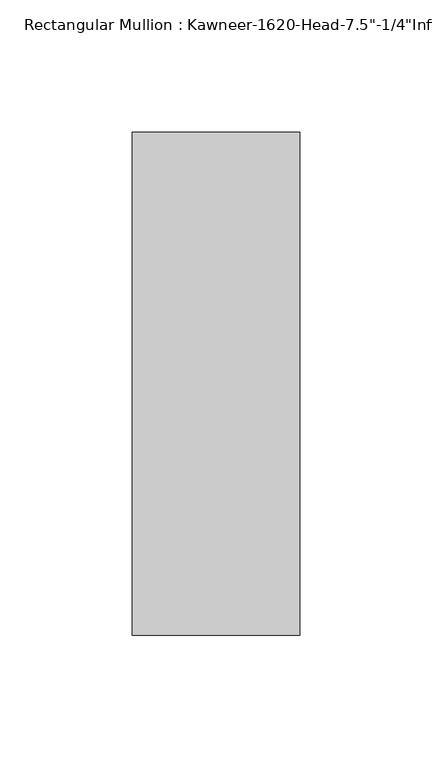
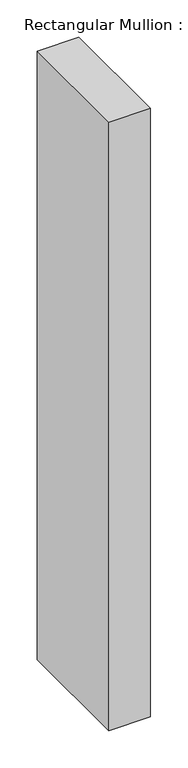
"""IFC4 building model written with IfcOpenShell, lengths in millimetres: member geometry."""

from ifc_helpers import new_model, si_unit, frame, origin, place, context, project, spatial, polyline, outline, extrude, source, transform, mapped, element, save


def member_653a5834(model_context):
    return source(origin(), model_context, "Body", "SweptSolid", [
        extrude(outline(polyline([(-22.225, 28.575), (41.275, 28.575), (41.275, -161.925), (-22.225, -161.925), (-22.225, 28.575)])), frame((0.0, 0.0, -990.6), z_axis=(0.0, 0.0, 1.0), x_axis=(1.0, 0.0, 0.0)), (0.0, 0.0, 1.0), 990.6),
    ])


if __name__ == "__main__":
    model = new_model("IFC4")
    model_context = context("Model", 3, world=origin())
    ifc_project = project(units=[si_unit("LENGTHUNIT", "METRE", prefix="MILLI")], contexts=[model_context])
    site = spatial("IfcSite", under=ifc_project)
    building = spatial("IfcBuilding", under=site)
    placement = place(None, origin())
    member_shape = member_653a5834(model_context)
    element("IfcMember", 1, ObjectType="Rectangular Mullion : Kawneer-1620-Head-7.5\"-1/4\"Infill-1C", at=placement, inside=building, context=model_context, shape_type="MappedRepresentation", body=[
        mapped(member_shape, transform((0.0, 0.0, 0.0), x_axis=(1.0, 0.0, 0.0), y_axis=(0.0, 1.0, 0.0), z_axis=(0.0, 0.0, 1.0))),
    ])
    save(model, "model.ifc")
